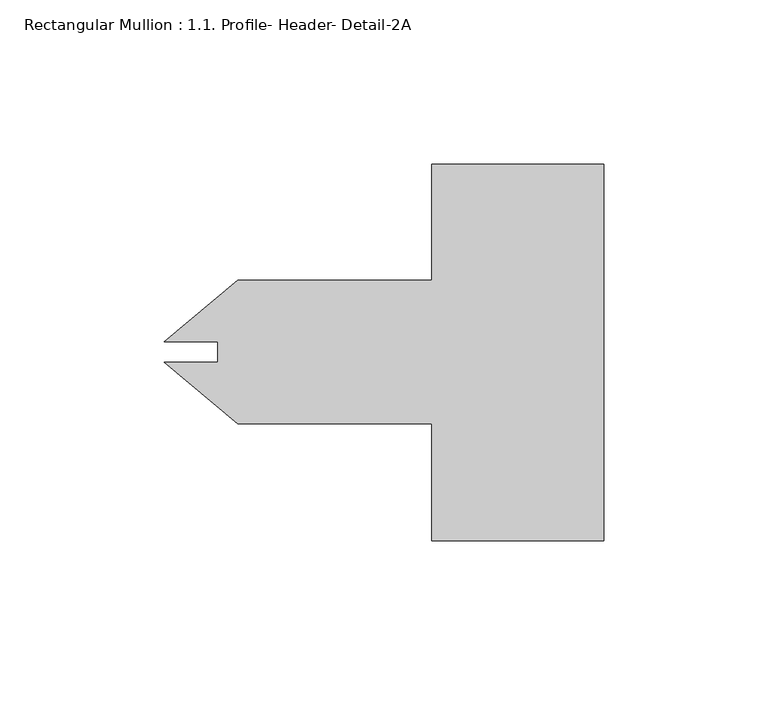
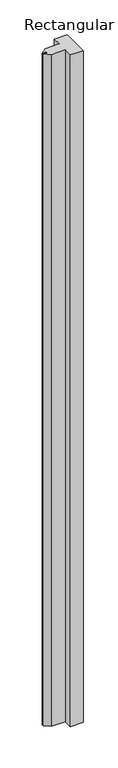
"""IFC4 building model written with IfcOpenShell, lengths in millimetres: member geometry, Rectangular Mullion : 1.1. Profile- Header- Detail-2A."""

from ifc_helpers import new_model, si_unit, frame, origin, place, context, project, spatial, polyline, outline, extrude, source, transform, mapped, element, save


def rectangular_mullion_1_1_profile_header_detail_2a_ee8f62b0(model_context):
    return source(origin(), model_context, "Body", "SweptSolid", [
        extrude(outline(polyline([(-133.7662944, 3.1620621), (-111.4414868, 21.8948), (-52.3875, 21.8948), (-52.3875, 57.15), (0.0, 57.15), (0.0, -57.5183), (-52.3875, -57.5183), (-52.3875, -21.8948), (-111.4414868, -21.8948), (-133.7662944, -3.1620621), (-117.4877, -3.1620621), (-117.4877, 3.1620621), (-133.7662944, 3.1620621)])), frame((0.0, 0.0, -2952.75), z_axis=(0.0, 0.0, 1.0), x_axis=(1.0, 0.0, 0.0)), (0.0, 0.0, 1.0), 2952.75),
    ])


if __name__ == "__main__":
    model = new_model("IFC4")
    model_context = context("Model", 3, world=origin())
    ifc_project = project(units=[si_unit("LENGTHUNIT", "METRE", prefix="MILLI")], contexts=[model_context])
    site = spatial("IfcSite", under=ifc_project)
    building = spatial("IfcBuilding", under=site)
    placement = place(None, origin())
    rectangular_mullion_1_1_profile_header_detail_2a_shape = rectangular_mullion_1_1_profile_header_detail_2a_ee8f62b0(model_context)
    element("IfcMember", 1, ObjectType="Rectangular Mullion : 1.1. Profile- Header- Detail-2A", at=placement, inside=building, context=model_context, shape_type="MappedRepresentation", body=[
        mapped(rectangular_mullion_1_1_profile_header_detail_2a_shape, transform((0.0, 0.0, 0.0), x_axis=(1.0, 0.0, 0.0), y_axis=(0.0, 1.0, 0.0), z_axis=(0.0, 0.0, 1.0))),
    ])
    save(model, "model.ifc")
